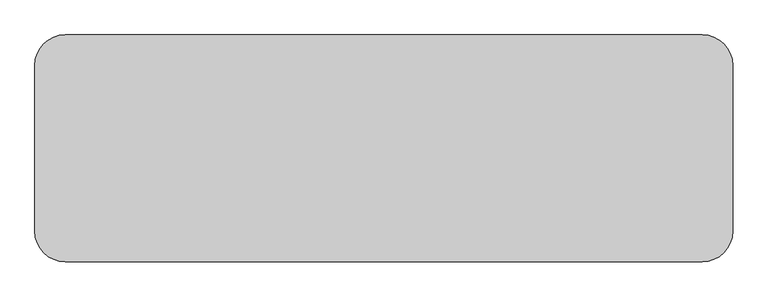
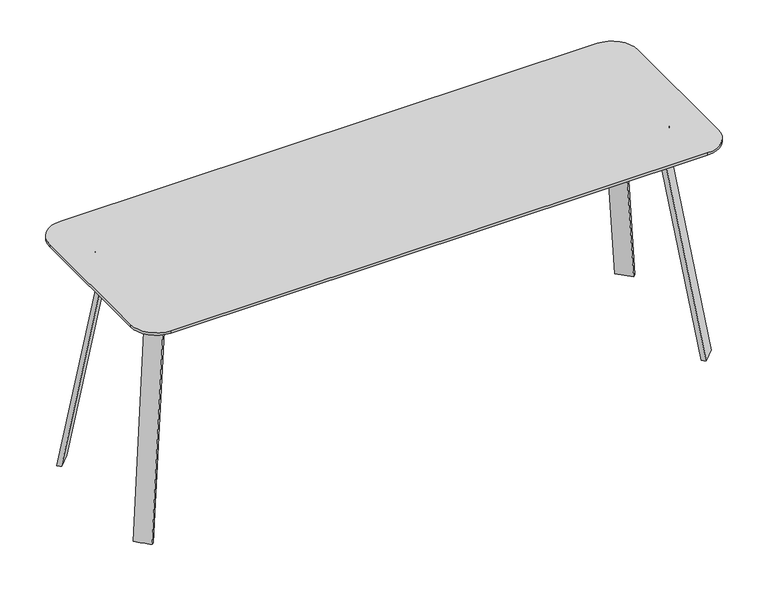
"""IFC4 building model written with IfcOpenShell, lengths in millimetres: furniture geometry."""

from ifc_helpers import new_model, si_unit, point, frame, frame_2d, origin, place, context, project, spatial, polyline, circle_curve, trimmed, segment, composite_curve, outline, extrude, source, transform, mapped, element, save
from ifc_brep_helpers import plane_surface, cylinder_surface, revolved_surface, spline_surface, advanced_brep


def furniture_7916ce85(model_context):
    return source(origin(), model_context, "Body", "SolidModel", [
        extrude(outline(composite_curve([segment(trimmed(circle_curve(frame_2d((1202.7154289, 209.153125)), 60.325), [point((1202.7154289, 269.478125))], [point((1263.0404289, 209.153125))], False, "CARTESIAN"), True, "CONTINUOUS"), segment(polyline([(1263.0404289, 209.153125), (1263.0404289, -120.253125)]), True, "CONTINUOUS"), segment(trimmed(circle_curve(frame_2d((1202.7154289, -120.253125)), 60.325), [point((1263.0404289, -120.253125))], [point((1202.7154289, -180.578125))], False, "CARTESIAN"), True, "CONTINUOUS"), segment(polyline([(1202.7154289, -180.578125), (-61.7283211, -180.578125)]), True, "CONTINUOUS"), segment(trimmed(circle_curve(frame_2d((-61.7283211, -120.253125)), 60.325), [point((-61.7283211, -180.578125))], [point((-122.0533211, -120.253125))], False, "CARTESIAN"), True, "CONTINUOUS"), segment(polyline([(-122.0533211, -120.253125), (-122.0533211, 209.153125)]), True, "CONTINUOUS"), segment(trimmed(circle_curve(frame_2d((-61.7283211, 209.153125)), 60.325), [point((-122.0533211, 209.153125))], [point((-61.7283211, 269.478125))], False, "CARTESIAN"), True, "CONTINUOUS"), segment(polyline([(-61.7283211, 269.478125), (1202.7154289, 269.478125)]), True, "CONTINUOUS")], self_intersect=False)), frame((0.0, 0.0, 543.8790842), z_axis=(0.0, 0.0, 1.0), x_axis=(1.0, 0.0, 0.0)), (0.0, 0.0, 1.0), 5.9912283),
        advanced_brep(
        [(-3.8773561, -86.0997102, 543.8790842), (1146.8752089, -86.0997102, 543.8790842), (1197.6752089, -35.2997102, 543.8790842), (1197.6752089, 124.2199619, 543.8790842), (1146.8752089, 175.0199619, 543.8790842), (-5.8881011, 175.0199619, 543.8790842), (-56.6881011, 124.2199619, 543.8790842), (-56.7171425, -33.2599237, 543.8790842), (-5.7900208, -78.0584859, 543.8790842), (-48.6759364, -35.1725703, 543.8790842), (-48.6759364, 124.7624191, 543.8790842), (-6.2937983, 166.9787557, 543.8790842), (1147.2809061, 166.9787557, 543.8790842), (1189.6339846, 124.6256772, 543.8790842), (1189.6339846, -35.6174691, 543.8790842), (1147.1929678, -78.0584859, 543.8790842), (-3.8773561, -86.0997102, 513.7245658), (-56.7171425, -33.2599237, 513.7245658), (-56.7171425, 124.2199619, 513.7245658), (-5.8881011, 175.0199619, 513.7245658), (1146.8752089, 175.0199619, 513.7245658), (1197.6752089, 124.2199619, 513.7245658), (1197.6752089, -35.2997102, 513.7245658), (1146.8752089, -86.0997102, 513.7245658), (-5.7900208, -78.0584859, 513.7245658), (1147.1929678, -78.0584859, 513.7245658), (1189.6339846, -35.6174691, 513.7245658), (1189.6339846, 124.6256772, 513.7245658), (1147.2809061, 166.9787557, 513.7245658), (-6.2937983, 166.9787557, 513.7245658), (-48.6468768, 124.6256772, 513.7245658), (-48.6759364, -35.1725703, 513.7245658)],
        [
            (0, 1),
            (1, 2, circle_curve(frame((1146.8752089, -35.2997102, 543.8790842), z_axis=(0.0, 0.0, 1.0), x_axis=(1.0, 0.0, 0.0)), 50.8)),
            (2, 3),
            (3, 4, circle_curve(frame((1146.8752089, 124.2199619, 543.8790842), z_axis=(0.0, 0.0, 1.0), x_axis=(1.0, 0.0, 0.0)), 50.8)),
            (4, 5),
            (5, 6, circle_curve(frame((-5.8881011, 124.2199619, 543.8790842), z_axis=(0.0, 0.0, 1.0), x_axis=(1.0, 0.0, 0.0)), 50.8)),
            (6, 7),
            (7, 0, circle_curve(frame((-3.8773561, -33.2599237, 543.8790842), z_axis=(0.0, 0.0, 1.0), x_axis=(1.0, 0.0, 0.0)), 52.8397864)),
            (8, 9, circle_curve(frame((-5.7900208, -35.1725703, 543.8790842), z_axis=(0.0, 0.0, -1.0), x_axis=(1.0, 0.0, 0.0)), 42.8859156)),
            (9, 10),
            (10, 11, circle_curve(frame((-6.2937983, 124.6256772, 543.8790842), z_axis=(0.0, 0.0, -1.0), x_axis=(1.0, 0.0, 0.0)), 42.3530785)),
            (11, 12),
            (12, 13, circle_curve(frame((1147.2809061, 124.6256772, 543.8790842), z_axis=(0.0, 0.0, -1.0), x_axis=(1.0, 0.0, 0.0)), 42.3530785)),
            (13, 14),
            (14, 15, circle_curve(frame((1147.1929678, -35.6174691, 543.8790842), z_axis=(0.0, 0.0, -1.0), x_axis=(1.0, 0.0, 0.0)), 42.4410167)),
            (15, 8),
            (16, 17, circle_curve(frame((-3.8773561, -33.2599237, 513.7245658), z_axis=(0.0, 0.0, -1.0), x_axis=(1.0, 0.0, 0.0)), 52.8397864)),
            (17, 18),
            (18, 19, circle_curve(frame((-5.8881011, 124.2199619, 513.7245658), z_axis=(0.0, 0.0, -1.0), x_axis=(1.0, 0.0, 0.0)), 50.8)),
            (19, 20),
            (20, 21, circle_curve(frame((1146.8752089, 124.2199619, 513.7245658), z_axis=(0.0, 0.0, -1.0), x_axis=(1.0, 0.0, 0.0)), 50.8)),
            (21, 22),
            (22, 23, circle_curve(frame((1146.8752089, -35.2997102, 513.7245658), z_axis=(0.0, 0.0, -1.0), x_axis=(1.0, 0.0, 0.0)), 50.8)),
            (23, 16),
            (24, 25),
            (25, 26, circle_curve(frame((1147.1929678, -35.6174691, 513.7245658), z_axis=(0.0, 0.0, 1.0), x_axis=(1.0, 0.0, 0.0)), 42.4410167)),
            (26, 27),
            (27, 28, circle_curve(frame((1147.2809061, 124.6256772, 513.7245658), z_axis=(0.0, 0.0, 1.0), x_axis=(1.0, 0.0, 0.0)), 42.3530785)),
            (28, 29),
            (29, 30, circle_curve(frame((-6.2937983, 124.6256772, 513.7245658), z_axis=(0.0, 0.0, 1.0), x_axis=(1.0, 0.0, 0.0)), 42.3530785)),
            (30, 31),
            (31, 24, circle_curve(frame((-5.7900208, -35.1725703, 513.7245658), z_axis=(0.0, 0.0, 1.0), x_axis=(1.0, 0.0, 0.0)), 42.8859156)),
            (0, 16),
            (23, 1),
            (2, 22),
            (21, 3),
            (20, 4),
            (19, 5),
            (18, 6),
            (17, 7),
            (9, 31),
            (30, 10),
            (29, 11),
            (28, 12),
            (27, 13),
            (26, 14),
            (15, 25),
            (24, 8),
        ],
        [
            plane_surface(frame((1146.8752089, -86.0997102, 543.8790842), z_axis=(0.0, 0.0, 1.0), x_axis=(1.0, 0.0, 0.0))),
            plane_surface(frame((1146.8752089, -86.0997102, 513.7245658), z_axis=(0.0, 0.0, -1.0), x_axis=(-1.0, 0.0, 0.0))),
            plane_surface(frame((-3.8773561, -86.0997102, 543.8790842), z_axis=(0.0, -1.0, 0.0), x_axis=(0.0, 0.0, -1.0))),
            plane_surface(frame((1197.6752089, -35.2997102, 543.8790842), z_axis=(1.0, 0.0, 0.0), x_axis=(0.0, 0.0, -1.0))),
            cylinder_surface(frame((1146.8752089, 124.2199619, 513.7245658), z_axis=(0.0, 0.0, 1.0), x_axis=(1.0, 0.0, 0.0)), 50.8),
            plane_surface(frame((1146.8752089, 175.0199619, 543.8790842), z_axis=(0.0, 1.0, 0.0), x_axis=(0.0, 0.0, -1.0))),
            cylinder_surface(frame((-5.8881011, 124.2199619, 513.7245658), z_axis=(0.0, 0.0, 1.0), x_axis=(1.0, 0.0, 0.0)), 50.8),
            plane_surface(frame((-56.7171425, 124.2199619, 543.8790842), z_axis=(-1.0, 0.0, 0.0), x_axis=(0.0, 0.0, -1.0))),
            plane_surface(frame((-48.6759364, -35.1725703, 543.8790842), z_axis=(1.0, 0.0, 0.0), x_axis=(0.0, 0.0, -1.0))),
            revolved_surface(polyline([(36.0592802, 124.6256772, 513.7245658), (36.0592802, 124.6256772, 543.8790842)]), (-6.2937983, 124.6256772, 0.0), (0.0, 0.0, -1.0)),
            plane_surface(frame((-6.2937983, 166.9787557, 543.8790842), z_axis=(0.0, -1.0, 0.0), x_axis=(0.0, 0.0, -1.0))),
            revolved_surface(polyline([(1189.6339846, 124.6256772, 513.7245658), (1189.6339846, 124.6256772, 543.8790842)]), (1147.2809061, 124.6256772, 0.0), (0.0, 0.0, -1.0)),
            plane_surface(frame((1189.6339846, 124.6256772, 543.8790842), z_axis=(-1.0, 0.0, 0.0), x_axis=(0.0, 0.0, -1.0))),
            plane_surface(frame((1147.1929678, -78.0584859, 543.8790842), z_axis=(0.0, 1.0, 0.0), x_axis=(0.0, 0.0, -1.0))),
            cylinder_surface(frame((1146.8752089, -35.2997102, 513.7245658), z_axis=(0.0, 0.0, 1.0), x_axis=(1.0, 0.0, 0.0)), 50.8),
            cylinder_surface(frame((-3.8773561, -33.2599237, 513.7245658), z_axis=(0.0, 0.0, 1.0), x_axis=(1.0, 0.0, 0.0)), 52.8397864),
            revolved_surface(polyline([(37.095894799999996, -35.1725703, 513.7245658), (37.095894799999996, -35.1725703, 543.8790842)]), (-5.7900208, -35.1725703, 0.0), (0.0, 0.0, -1.0)),
            revolved_surface(polyline([(1189.6339845, -35.6174691, 513.7245658), (1189.6339845, -35.6174691, 543.8790842)]), (1147.1929678, -35.6174691, 0.0), (0.0, 0.0, -1.0)),
        ],
        [
            (0, [[1, 2, 3, 4, 5, 6, 7, 8], [9, 10, 11, 12, 13, 14, 15, 16]]),
            (1, [[17, 18, 19, 20, 21, 22, 23, 24], [25, 26, 27, 28, 29, 30, 31, 32]]),
            (2, [[-1, 33, -24, 34]]),
            (3, [[-3, 35, -22, 36]]),
            (4, [[-4, -36, -21, 37]]),
            (5, [[-5, -37, -20, 38]]),
            (6, [[-6, -38, -19, 39]]),
            (7, [[-7, -39, -18, 40]]),
            (8, [[-10, 41, -31, 42]]),
            (9, [[-11, -42, -30, 43]]),
            (10, [[-12, -43, -29, 44]]),
            (11, [[-13, -44, -28, 45]]),
            (12, [[-14, -45, -27, 46]]),
            (13, [[-16, 47, -25, 48]]),
            (14, [[-2, -34, -23, -35]]),
            (15, [[-8, -40, -17, -33]]),
            (16, [[-9, -48, -32, -41]]),
            (17, [[-15, -46, -26, -47]]),
        ],
    ),
        advanced_brep(
        [(-14.2710681, 161.0141176, 531.8172841), (-42.7010188, 132.5841306, 531.8172841), (-35.5200618, 125.4032462, 531.8172841), (-7.090111, 153.8331969, 531.8172841), (-82.0898936, 228.8328705, 0.0), (-74.9089691, 221.6519536, 0.0), (-103.3389217, 193.222001, 0.0), (-110.5198443, 200.4029197, 0.0)],
        [
            (0, 1),
            (1, 2),
            (2, 3),
            (3, 0),
            (4, 5),
            (5, 6),
            (6, 7),
            (7, 4),
            (7, 1),
            (0, 4),
            (6, 2),
            (5, 3),
        ],
        [
            plane_surface(frame((-24.8955649, 143.2086728, 531.8172841), z_axis=(0.0, 0.0, 1.0), x_axis=(0.7071103590917963, -0.7071032032631948, 0.0))),
            plane_surface(frame((-92.7144072, 211.0274362, 0.0), z_axis=(0.0, 0.0, -1.0), x_axis=(0.7071103590917963, -0.7071032032631948, 0.0))),
            spline_surface(1, 1, [[(-82.0898936, 228.8328705, 0.0), (-14.2710681, 161.0141176, 531.8172841)], [(-110.5198443, 200.4029197, 0.0), (-42.7010188, 132.5841306, 531.8172841)]], [2, 2], [2, 2], [0.0, 1.0], [0.0, 1.0]),
            spline_surface(1, 1, [[(-110.5198443, 200.4029197, 0.0), (-42.7010188, 132.5841306, 531.8172841)], [(-103.3389217, 193.222001, 0.0), (-35.5200618, 125.4032462, 531.8172841)]], [2, 2], [2, 2], [0.0, 1.0], [0.0, 1.0]),
            plane_surface(frame((-89.1239454, 207.4369773, 0.0), z_axis=(0.6958808765265143, -0.6958808765265148, -0.17748129864687073), x_axis=(0.7071067811865478, 0.7071067811865474, 0.0))),
            spline_surface(1, 1, [[(-74.9089691, 221.6519536, 0.0), (-7.090111, 153.8331969, 531.8172841)], [(-82.0898936, 228.8328705, 0.0), (-14.2710681, 161.0141176, 531.8172841)]], [2, 2], [2, 2], [0.0, 1.0], [0.0, 1.0]),
        ],
        [
            (0, [[1, 2, 3, 4]]),
            (1, [[5, 6, 7, 8]]),
            (2, [[-8, 9, -1, 10]]),
            (3, [[-7, 11, -2, -9]]),
            (4, [[-6, 12, -3, -11]]),
            (5, [[-5, -10, -4, -12]]),
        ],
    ),
        advanced_brep(
        [(-14.2710681, -72.1141176, 531.8172841), (-7.090111, -64.9331969, 531.8172841), (-35.5200618, -36.5032462, 531.8172841), (-42.7010188, -43.6841306, 531.8172841), (-82.0898936, -139.9328705, 0.0), (-110.5198443, -111.5029197, 0.0), (-103.3389217, -104.322001, 0.0), (-74.9089691, -132.7519536, 0.0)],
        [
            (0, 1),
            (1, 2),
            (2, 3),
            (3, 0),
            (4, 5),
            (5, 6),
            (6, 7),
            (7, 4),
            (4, 0),
            (3, 5),
            (2, 6),
            (1, 7),
        ],
        [
            plane_surface(frame((-24.8955649, -54.3086728, 531.8172841), z_axis=(0.0, 0.0, 1.0), x_axis=(0.7071063293266251, -0.7071072330461812, 0.0))),
            plane_surface(frame((-92.7144072, -122.1274362, 0.0), z_axis=(0.0, 0.0, -1.0), x_axis=(0.7071063293266251, -0.7071072330461812, 0.0))),
            spline_surface(1, 1, [[(-110.5198443, -111.5029197, 0.0), (-42.7010188, -43.6841306, 531.8172841)], [(-82.0898936, -139.9328705, 0.0), (-14.2710681, -72.1141176, 531.8172841)]], [2, 2], [2, 2], [0.0, 1.0], [0.0, 1.0]),
            spline_surface(1, 1, [[(-103.3389217, -104.322001, 0.0), (-35.5200618, -36.5032462, 531.8172841)], [(-110.5198443, -111.5029197, 0.0), (-42.7010188, -43.6841306, 531.8172841)]], [2, 2], [2, 2], [0.0, 1.0], [0.0, 1.0]),
            plane_surface(frame((-89.1239454, -118.5369773, 0.0), z_axis=(0.6958808765265152, 0.6958808765265138, -0.17748129864687062), x_axis=(-0.7071067811865468, 0.7071067811865482, 0.0))),
            spline_surface(1, 1, [[(-82.0898936, -139.9328705, 0.0), (-14.2710681, -72.1141176, 531.8172841)], [(-74.9089691, -132.7519536, 0.0), (-7.090111, -64.9331969, 531.8172841)]], [2, 2], [2, 2], [0.0, 1.0], [0.0, 1.0]),
        ],
        [
            (0, [[1, 2, 3, 4]]),
            (1, [[5, 6, 7, 8]]),
            (2, [[-5, 9, -4, 10]]),
            (3, [[-6, -10, -3, 11]]),
            (4, [[-7, -11, -2, 12]]),
            (5, [[-8, -12, -1, -9]]),
        ],
    ),
        advanced_brep(
        [(1155.2581759, 161.0141176, 531.8172841), (1148.0772188, 153.8331969, 531.8172841), (1176.5071695, 125.4032462, 531.8172841), (1183.6881266, 132.5841306, 531.8172841), (1223.0770014, 228.8328705, 0.0), (1251.5069521, 200.4029197, 0.0), (1244.3260295, 193.222001, 0.0), (1215.8960768, 221.6519536, 0.0)],
        [
            (0, 1),
            (1, 2),
            (2, 3),
            (3, 0),
            (4, 5),
            (5, 6),
            (6, 7),
            (7, 4),
            (4, 0),
            (3, 5),
            (2, 6),
            (1, 7),
        ],
        [
            plane_surface(frame((1165.8826727, 143.2086728, 531.8172841), z_axis=(0.0, 0.0, 1.0), x_axis=(-0.7071063293266252, 0.7071072330461811, 0.0))),
            plane_surface(frame((1233.701515, 211.0274362, 0.0), z_axis=(0.0, 0.0, -1.0), x_axis=(-0.7071063293266252, 0.7071072330461811, 0.0))),
            spline_surface(1, 1, [[(1251.5069521, 200.4029197, 0.0), (1183.6881266, 132.5841306, 531.8172841)], [(1223.0770014, 228.8328705, 0.0), (1155.2581759, 161.0141176, 531.8172841)]], [2, 2], [2, 2], [0.0, 1.0], [0.0, 1.0]),
            spline_surface(1, 1, [[(1244.3260295, 193.222001, 0.0), (1176.5071695, 125.4032462, 531.8172841)], [(1251.5069521, 200.4029197, 0.0), (1183.6881266, 132.5841306, 531.8172841)]], [2, 2], [2, 2], [0.0, 1.0], [0.0, 1.0]),
            plane_surface(frame((1230.1110532, 207.4369773, 0.0), z_axis=(-0.6958808765265146, -0.6958808765265146, -0.17748129864687048), x_axis=(0.7071067811865476, -0.7071067811865476, 0.0))),
            spline_surface(1, 1, [[(1223.0770014, 228.8328705, 0.0), (1155.2581759, 161.0141176, 531.8172841)], [(1215.8960768, 221.6519536, 0.0), (1148.0772188, 153.8331969, 531.8172841)]], [2, 2], [2, 2], [0.0, 1.0], [0.0, 1.0]),
        ],
        [
            (0, [[1, 2, 3, 4]]),
            (1, [[5, 6, 7, 8]]),
            (2, [[-5, 9, -4, 10]]),
            (3, [[-6, -10, -3, 11]]),
            (4, [[-7, -11, -2, 12]]),
            (5, [[-8, -12, -1, -9]]),
        ],
    ),
        advanced_brep(
        [(1155.2581759, -72.1141176, 531.8172841), (1183.6881266, -43.6841306, 531.8172841), (1176.5071695, -36.5032462, 531.8172841), (1148.0772188, -64.9331969, 531.8172841), (1223.0770014, -139.9328705, 0.0), (1215.8960768, -132.7519536, 0.0), (1244.3260295, -104.322001, 0.0), (1251.5069521, -111.5029197, 0.0)],
        [
            (0, 1),
            (1, 2),
            (2, 3),
            (3, 0),
            (4, 5),
            (5, 6),
            (6, 7),
            (7, 4),
            (7, 1),
            (0, 4),
            (6, 2),
            (5, 3),
        ],
        [
            plane_surface(frame((1165.8826727, -54.3086728, 531.8172841), z_axis=(0.0, 0.0, 1.0), x_axis=(-0.7071103590917963, 0.7071032032631948, 0.0))),
            plane_surface(frame((1233.701515, -122.1274362, 0.0), z_axis=(0.0, 0.0, -1.0), x_axis=(-0.7071103590917963, 0.7071032032631948, 0.0))),
            spline_surface(1, 1, [[(1223.0770014, -139.9328705, 0.0), (1155.2581759, -72.1141176, 531.8172841)], [(1251.5069521, -111.5029197, 0.0), (1183.6881266, -43.6841306, 531.8172841)]], [2, 2], [2, 2], [0.0, 1.0], [0.0, 1.0]),
            spline_surface(1, 1, [[(1251.5069521, -111.5029197, 0.0), (1183.6881266, -43.6841306, 531.8172841)], [(1244.3260295, -104.322001, 0.0), (1176.5071695, -36.5032462, 531.8172841)]], [2, 2], [2, 2], [0.0, 1.0], [0.0, 1.0]),
            plane_surface(frame((1230.1110532, -118.5369773, 0.0), z_axis=(-0.6958808765265146, 0.6958808765265146, -0.17748129864687048), x_axis=(-0.7071067811865476, -0.7071067811865476, 0.0))),
            spline_surface(1, 1, [[(1215.8960768, -132.7519536, 0.0), (1148.0772188, -64.9331969, 531.8172841)], [(1223.0770014, -139.9328705, 0.0), (1155.2581759, -72.1141176, 531.8172841)]], [2, 2], [2, 2], [0.0, 1.0], [0.0, 1.0]),
        ],
        [
            (0, [[1, 2, 3, 4]]),
            (1, [[5, 6, 7, 8]]),
            (2, [[-8, 9, -1, 10]]),
            (3, [[-7, 11, -2, -9]]),
            (4, [[-6, 12, -3, -11]]),
            (5, [[-5, -10, -4, -12]]),
        ],
    ),
    ])


if __name__ == "__main__":
    model = new_model("IFC4")
    model_context = context("Model", 3, world=origin())
    ifc_project = project(units=[si_unit("LENGTHUNIT", "METRE", prefix="MILLI")], contexts=[model_context])
    site = spatial("IfcSite", under=ifc_project)
    building = spatial("IfcBuilding", under=site)
    placement = place(None, origin())
    furniture_shape = furniture_7916ce85(model_context)
    element("IfcFurniture", 1, at=placement, inside=building, context=model_context, shape_type="MappedRepresentation", body=[
        mapped(furniture_shape, transform((0.0, 0.0, 0.0), x_axis=(1.0, 0.0, 0.0), y_axis=(0.0, 1.0, 0.0), z_axis=(0.0, 0.0, 1.0))),
    ])
    save(model, "model.ifc")
